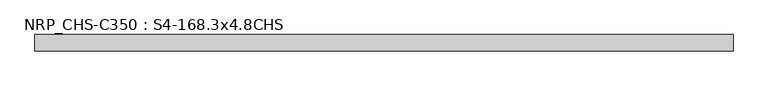
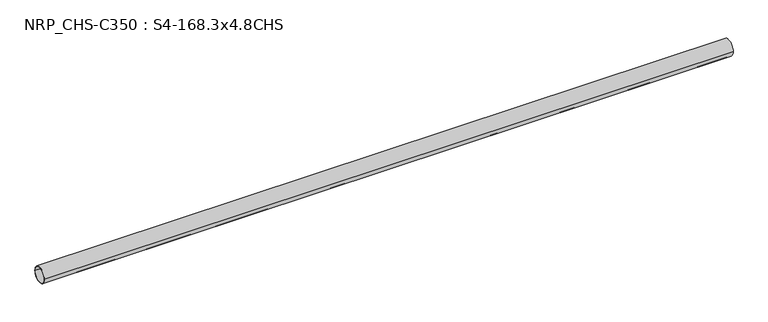
"""IFC4 building model written with IfcOpenShell, lengths in millimetres: beam geometry, NRP_CHS-C350 : S4-168.3x4.8CHS."""

import ifcopenshell
import ifcopenshell.guid

model = None  # the IFC model being written
_history = None  # IfcOwnerHistory: only IFC2X3 demands one
_inside = {}  # id of a spatial element -> (the spatial element, [elements in it])
_under = {}  # id of a project, library or spatial element -> (it, [spatial elements below it])
_declared = {}  # id of a project -> (the project, [libraries it declares])
_typed = {}  # id of a type object -> (the type object, [elements of that type])
_made_of = {}  # id of a material, layer set ... -> (it, [elements and type objects made of it])


def new_model(schema):
    """Start an empty IFC model of exactly this schema.

    Asked for "IFC4X3", IfcOpenShell would pick the latest addendum, in which some entities
    have other attributes; the version numbers below select the first issue.
    IFC2X3 requires an IfcOwnerHistory on every rooted entity: one is made here for all.
    """
    global model, _history
    if schema == "IFC4X3":
        model = ifcopenshell.file(schema_version=(4, 3, 0, 0))
    else:
        model = ifcopenshell.file(schema=schema)
    _inside.clear()
    _under.clear()
    _declared.clear()
    _typed.clear()
    _made_of.clear()
    _history = None
    if model.schema == "IFC2X3":
        org = make("IfcOrganization", Name="unknown")
        user = make(
            "IfcPersonAndOrganization",
            ThePerson=make("IfcPerson", FamilyName="unknown"),
            TheOrganization=org,
        )
        app = make(
            "IfcApplication",
            ApplicationDeveloper=org,
            Version="unknown",
            ApplicationFullName="unknown",
            ApplicationIdentifier="unknown",
        )
        _history = make(
            "IfcOwnerHistory",
            OwningUser=user,
            OwningApplication=app,
            ChangeAction="ADDED",
            CreationDate=0,
        )
    return model


def make(cls, **values):
    """One entity of the class cls with the attributes given. An attribute that is None is left unset."""
    return model.create_entity(
        cls, **{name: value for name, value in values.items() if value is not None}
    )


def rooted(cls, **values):
    """An entity with a GlobalId (a new one), such as an element, a storey or a relation."""
    return make(cls, GlobalId=ifcopenshell.guid.new(), OwnerHistory=_history, **values)


def si_unit(unit_type, name, prefix=None):
    """IfcSIUnit, for example si_unit("LENGTHUNIT", "METRE", prefix="MILLI")."""
    return make("IfcSIUnit", UnitType=unit_type, Prefix=prefix, Name=name)


def assignment(units):
    """IfcUnitAssignment: the units of a project."""
    return None if units is None else make("IfcUnitAssignment", Units=units)


def point(xyz):
    """IfcCartesianPoint."""
    return None if xyz is None else make("IfcCartesianPoint", Coordinates=xyz)


def direction(xyz):
    """IfcDirection."""
    return None if xyz is None else make("IfcDirection", DirectionRatios=xyz)


def frame(location, z_axis=None, x_axis=None):
    """IfcAxis2Placement3D, a coordinate frame: its origin and axes. An axis left out is left unset."""
    return make(
        "IfcAxis2Placement3D",
        Location=point(location),
        Axis=direction(z_axis),
        RefDirection=direction(x_axis),
    )


def frame_2d(location, x_axis=None):
    """IfcAxis2Placement2D, a coordinate frame in the plane: its origin and x axis."""
    return make(
        "IfcAxis2Placement2D", Location=point(location), RefDirection=direction(x_axis)
    )


def origin():
    """The frame at (0, 0, 0) with its axes left unset."""
    return frame((0.0, 0.0, 0.0))


def origin_2d():
    """The frame at (0, 0) in the plane with its x axis left unset."""
    return frame_2d((0.0, 0.0))


def place(relative_to, where):
    """IfcLocalPlacement: puts the frame where relative to a parent placement (None: the world)."""
    return make(
        "IfcLocalPlacement", PlacementRelTo=relative_to, RelativePlacement=where
    )


def context(
    kind, dimensions, precision=None, world=None, true_north=None, identifier=None
):
    """IfcGeometricRepresentationContext, for example the 3D "Model" context."""
    return make(
        "IfcGeometricRepresentationContext",
        ContextIdentifier=identifier,
        ContextType=kind,
        CoordinateSpaceDimension=dimensions,
        Precision=precision,
        WorldCoordinateSystem=world,
        TrueNorth=true_north,
    )


def project(units=None, contexts=None):
    """IfcProject with its units and contexts."""
    return rooted(
        "IfcProject",
        Name="project",
        RepresentationContexts=contexts,
        UnitsInContext=assignment(units),
    )


def spatial(cls, under=None, at=None, **own):
    """A site, building, storey or space (cls), placed at a placement, below another one or the project."""
    s = rooted(cls, ObjectPlacement=at, **own)
    if under is not None:
        _under.setdefault(under.id(), (under, []))[1].append(s)
    return s


def circle_curve(where, radius):
    """IfcCircle in the frame where."""
    return make("IfcCircle", Position=where, Radius=radius)


def trimmed(basis, trim1, trim2, sense, master):
    """IfcTrimmedCurve: the piece of a basis curve between two trims."""
    return make(
        "IfcTrimmedCurve",
        BasisCurve=basis,
        Trim1=trim1,
        Trim2=trim2,
        SenseAgreement=sense,
        MasterRepresentation=master,
    )


def segment(curve, same_sense, transition):
    """IfcCompositeCurveSegment."""
    return make(
        "IfcCompositeCurveSegment",
        Transition=transition,
        SameSense=same_sense,
        ParentCurve=curve,
    )


def composite_curve(segments, self_intersect=None):
    """IfcCompositeCurve: segments joined end to end."""
    return make("IfcCompositeCurve", Segments=segments, SelfIntersect=self_intersect)


def outline(outer, holes=None, kind="AREA"):
    """IfcArbitraryClosedProfileDef: a profile drawn as a closed curve; with holes, ...WithVoids."""
    if holes is None:
        return make("IfcArbitraryClosedProfileDef", ProfileType=kind, OuterCurve=outer)
    return make(
        "IfcArbitraryProfileDefWithVoids",
        ProfileType=kind,
        OuterCurve=outer,
        InnerCurves=holes,
    )


def extrude(swept, where, along, depth):
    """IfcExtrudedAreaSolid: the profile swept, set in the frame where, extruded along a direction by depth."""
    return make(
        "IfcExtrudedAreaSolid",
        SweptArea=swept,
        Position=where,
        ExtrudedDirection=direction(along),
        Depth=depth,
    )


def shape(context_of_items, identifier, shape_type, items):
    """IfcShapeRepresentation: the items that make up one representation, for example the "Body"."""
    return make(
        "IfcShapeRepresentation",
        ContextOfItems=context_of_items,
        RepresentationIdentifier=identifier,
        RepresentationType=shape_type,
        Items=items,
    )


def source(mapping_origin, context_of_items, identifier, shape_type, items):
    """IfcRepresentationMap: a shape defined once, which mapped items show again and again."""
    return make(
        "IfcRepresentationMap",
        MappingOrigin=mapping_origin,
        MappedRepresentation=shape(context_of_items, identifier, shape_type, items),
    )


def transform(
    local_origin,
    x_axis=None,
    y_axis=None,
    z_axis=None,
    scale=None,
    scale2=None,
    scale3=None,
    uniform=True,
):
    """IfcCartesianTransformationOperator3D, or its non-uniform kind. x_axis, y_axis, z_axis: its Axis1, 2, 3."""
    if uniform:
        return make(
            "IfcCartesianTransformationOperator3D",
            Axis1=direction(x_axis),
            Axis2=direction(y_axis),
            LocalOrigin=point(local_origin),
            Scale=scale,
            Axis3=direction(z_axis),
        )
    return make(
        "IfcCartesianTransformationOperator3DnonUniform",
        Axis1=direction(x_axis),
        Axis2=direction(y_axis),
        LocalOrigin=point(local_origin),
        Scale=scale,
        Axis3=direction(z_axis),
        Scale2=scale2,
        Scale3=scale3,
    )


def mapped(mapping_source, mapping_target):
    """IfcMappedItem: shows the shape of a source again, moved by a transform."""
    return make(
        "IfcMappedItem", MappingSource=mapping_source, MappingTarget=mapping_target
    )


def made_of(thing, what):
    """Note that an element or type object is made of a material, layer set ...; save() writes the relation."""
    if what is not None:
        _made_of.setdefault(what.id(), (what, []))[1].append(thing)
    return thing


def element(
    cls,
    number,
    at=None,
    inside=None,
    cuts=None,
    type_object=None,
    material=None,
    context=None,
    identifier="Body",
    shape_type=None,
    held_by="IfcProductDefinitionShape",
    body=None,
    shapes=None,
    **own,
):
    """One element of the class cls, such as IfcWall. Its Tag is "e" and its number.

    at: its placement. inside: the storey or other place that contains it. cuts: it is an
    opening in that element (IfcRelVoidsElement). A single representation is given by context,
    identifier, shape_type and body (its items); several are given by shapes. held_by: the class
    of the entity that holds the representations. save() writes the other relations.
    """
    e = rooted(cls, Tag="e%d" % number, ObjectPlacement=at, **own)
    if body is not None:
        shapes = [shape(context, identifier, shape_type, body)]
    if shapes is not None:
        e.Representation = make(held_by, Representations=shapes)
    if inside is not None:
        _inside.setdefault(inside.id(), (inside, []))[1].append(e)
    if cuts is not None:
        rooted(
            "IfcRelVoidsElement", RelatingBuildingElement=cuts, RelatedOpeningElement=e
        )
    if type_object is not None:
        _typed.setdefault(type_object.id(), (type_object, []))[1].append(e)
    return made_of(e, material)


def aggregate(whole, parts):
    """IfcRelAggregates: a whole, such as a stair, and the parts it consists of."""
    return rooted("IfcRelAggregates", RelatingObject=whole, RelatedObjects=parts)


def save(model, path):
    """Write the relations noted so far, then the file.

    IfcRelAggregates (storeys below a building ...), IfcRelContainedInSpatialStructure (elements
    in a storey), IfcRelDefinesByType, IfcRelAssociatesMaterial and IfcRelDeclares: one each for
    every whole, place, type object, material and project.
    """
    for whole, parts in _under.values():
        aggregate(whole, parts)
    for where, things in _inside.values():
        rooted(
            "IfcRelContainedInSpatialStructure",
            RelatedElements=things,
            RelatingStructure=where,
        )
    for kind, things in _typed.values():
        rooted("IfcRelDefinesByType", RelatedObjects=things, RelatingType=kind)
    for what, things in _made_of.values():
        rooted("IfcRelAssociatesMaterial", RelatedObjects=things, RelatingMaterial=what)
    for by, libraries in _declared.values():
        rooted("IfcRelDeclares", RelatingContext=by, RelatedDefinitions=libraries)
    model.write(path)


def nrp_chs_c350_s4_168_3x4_8chs_09474702(model_context):
    return source(origin(), model_context, "Body", "SweptSolid", [
        extrude(outline(composite_curve([segment(trimmed(circle_curve(origin_2d(), 84.15), [point((-84.15, 0.0))], [point((84.15, 0.0))], False, "CARTESIAN"), True, "CONTINUOUS"), segment(trimmed(circle_curve(origin_2d(), 84.15), [point((84.15, 0.0))], [point((-84.15, 0.0))], False, "CARTESIAN"), True, "CONTINUOUS")], self_intersect=False), holes=[composite_curve([segment(trimmed(circle_curve(origin_2d(), 79.35), [point((79.35, 0.0))], [point((-79.35, 0.0))], True, "CARTESIAN"), True, "CONTINUOUS"), segment(trimmed(circle_curve(origin_2d(), 79.35), [point((-79.35, 0.0))], [point((79.35, 0.0))], True, "CARTESIAN"), True, "CONTINUOUS")], self_intersect=False)]), frame((-3604.05, 0.0, 0.0), z_axis=(1.0, 0.0, 0.0), x_axis=(0.0, 1.0, 0.0)), (0.0, 0.0, 1.0), 7189.1),
    ])


if __name__ == "__main__":
    model = new_model("IFC4")
    model_context = context("Model", 3, world=origin())
    ifc_project = project(units=[si_unit("LENGTHUNIT", "METRE", prefix="MILLI")], contexts=[model_context])
    site = spatial("IfcSite", under=ifc_project)
    building = spatial("IfcBuilding", under=site)
    placement = place(None, origin())
    nrp_chs_c350_s4_168_3x4_8chs_shape = nrp_chs_c350_s4_168_3x4_8chs_09474702(model_context)
    element("IfcBeam", 1, ObjectType="NRP_CHS-C350 : S4-168.3x4.8CHS", at=placement, inside=building, context=model_context, shape_type="MappedRepresentation", body=[
        mapped(nrp_chs_c350_s4_168_3x4_8chs_shape, transform((0.0, 0.0, 0.0), x_axis=(1.0, 0.0, 0.0), y_axis=(0.0, 1.0, 0.0), z_axis=(0.0, 0.0, 1.0))),
    ])
    save(model, "model.ifc")
